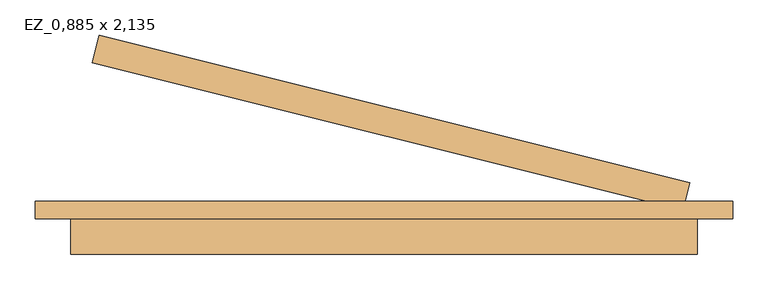
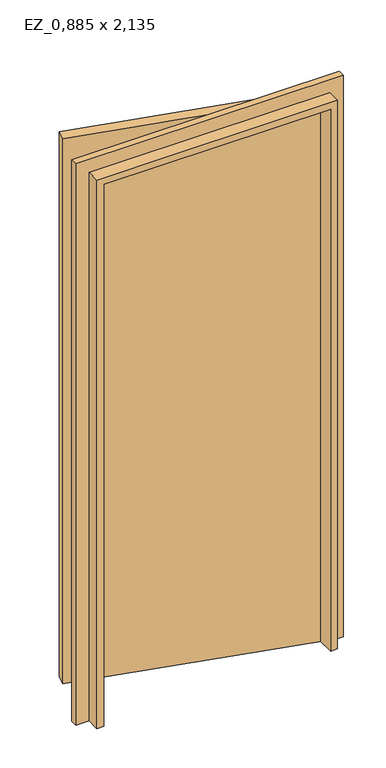
"""IFC4 building model written with IfcOpenShell, lengths in millimetres: door geometry, EZ_0,885 x 2,135."""

import ifcopenshell
import ifcopenshell.guid

model = None  # the IFC model being written
_history = None  # IfcOwnerHistory: only IFC2X3 demands one
_inside = {}  # id of a spatial element -> (the spatial element, [elements in it])
_under = {}  # id of a project, library or spatial element -> (it, [spatial elements below it])
_declared = {}  # id of a project -> (the project, [libraries it declares])
_typed = {}  # id of a type object -> (the type object, [elements of that type])
_made_of = {}  # id of a material, layer set ... -> (it, [elements and type objects made of it])


def new_model(schema):
    """Start an empty IFC model of exactly this schema.

    Asked for "IFC4X3", IfcOpenShell would pick the latest addendum, in which some entities
    have other attributes; the version numbers below select the first issue.
    IFC2X3 requires an IfcOwnerHistory on every rooted entity: one is made here for all.
    """
    global model, _history
    if schema == "IFC4X3":
        model = ifcopenshell.file(schema_version=(4, 3, 0, 0))
    else:
        model = ifcopenshell.file(schema=schema)
    _inside.clear()
    _under.clear()
    _declared.clear()
    _typed.clear()
    _made_of.clear()
    _history = None
    if model.schema == "IFC2X3":
        org = make("IfcOrganization", Name="unknown")
        user = make(
            "IfcPersonAndOrganization",
            ThePerson=make("IfcPerson", FamilyName="unknown"),
            TheOrganization=org,
        )
        app = make(
            "IfcApplication",
            ApplicationDeveloper=org,
            Version="unknown",
            ApplicationFullName="unknown",
            ApplicationIdentifier="unknown",
        )
        _history = make(
            "IfcOwnerHistory",
            OwningUser=user,
            OwningApplication=app,
            ChangeAction="ADDED",
            CreationDate=0,
        )
    return model


def make(cls, **values):
    """One entity of the class cls with the attributes given. An attribute that is None is left unset."""
    return model.create_entity(
        cls, **{name: value for name, value in values.items() if value is not None}
    )


def rooted(cls, **values):
    """An entity with a GlobalId (a new one), such as an element, a storey or a relation."""
    return make(cls, GlobalId=ifcopenshell.guid.new(), OwnerHistory=_history, **values)


def si_unit(unit_type, name, prefix=None):
    """IfcSIUnit, for example si_unit("LENGTHUNIT", "METRE", prefix="MILLI")."""
    return make("IfcSIUnit", UnitType=unit_type, Prefix=prefix, Name=name)


def assignment(units):
    """IfcUnitAssignment: the units of a project."""
    return None if units is None else make("IfcUnitAssignment", Units=units)


def point(xyz):
    """IfcCartesianPoint."""
    return None if xyz is None else make("IfcCartesianPoint", Coordinates=xyz)


def direction(xyz):
    """IfcDirection."""
    return None if xyz is None else make("IfcDirection", DirectionRatios=xyz)


def frame(location, z_axis=None, x_axis=None):
    """IfcAxis2Placement3D, a coordinate frame: its origin and axes. An axis left out is left unset."""
    return make(
        "IfcAxis2Placement3D",
        Location=point(location),
        Axis=direction(z_axis),
        RefDirection=direction(x_axis),
    )


def origin():
    """The frame at (0, 0, 0) with its axes left unset."""
    return frame((0.0, 0.0, 0.0))


def origin_with_axes():
    """The frame at (0, 0, 0) with the z axis (0, 0, 1) and the x axis (1, 0, 0) written out."""
    return frame((0.0, 0.0, 0.0), z_axis=(0.0, 0.0, 1.0), x_axis=(1.0, 0.0, 0.0))


def place(relative_to, where):
    """IfcLocalPlacement: puts the frame where relative to a parent placement (None: the world)."""
    return make(
        "IfcLocalPlacement", PlacementRelTo=relative_to, RelativePlacement=where
    )


def context(
    kind, dimensions, precision=None, world=None, true_north=None, identifier=None
):
    """IfcGeometricRepresentationContext, for example the 3D "Model" context."""
    return make(
        "IfcGeometricRepresentationContext",
        ContextIdentifier=identifier,
        ContextType=kind,
        CoordinateSpaceDimension=dimensions,
        Precision=precision,
        WorldCoordinateSystem=world,
        TrueNorth=true_north,
    )


def project(units=None, contexts=None):
    """IfcProject with its units and contexts."""
    return rooted(
        "IfcProject",
        Name="project",
        RepresentationContexts=contexts,
        UnitsInContext=assignment(units),
    )


def spatial(cls, under=None, at=None, **own):
    """A site, building, storey or space (cls), placed at a placement, below another one or the project."""
    s = rooted(cls, ObjectPlacement=at, **own)
    if under is not None:
        _under.setdefault(under.id(), (under, []))[1].append(s)
    return s


def polyline(points):
    """IfcPolyline through the points."""
    return make("IfcPolyline", Points=[point(p) for p in points])


def outline(outer, holes=None, kind="AREA"):
    """IfcArbitraryClosedProfileDef: a profile drawn as a closed curve; with holes, ...WithVoids."""
    if holes is None:
        return make("IfcArbitraryClosedProfileDef", ProfileType=kind, OuterCurve=outer)
    return make(
        "IfcArbitraryProfileDefWithVoids",
        ProfileType=kind,
        OuterCurve=outer,
        InnerCurves=holes,
    )


def extrude(swept, where, along, depth):
    """IfcExtrudedAreaSolid: the profile swept, set in the frame where, extruded along a direction by depth."""
    return make(
        "IfcExtrudedAreaSolid",
        SweptArea=swept,
        Position=where,
        ExtrudedDirection=direction(along),
        Depth=depth,
    )


def faces_of(points, faces, orient=None, outer=None):
    """IfcFace entities. A face is a list of loops; a loop is a list of indices into points, from 0.

    orient and outer hold one flag for each loop. By default every Orientation is true, the
    first loop of a face is its IfcFaceOuterBound and the others are IfcFaceBound.
    """
    made = []
    for i, loops in enumerate(faces):
        bounds = []
        for j, loop in enumerate(loops):
            is_outer = j == 0 if outer is None else outer[i][j]
            bounds.append(
                make(
                    "IfcFaceOuterBound" if is_outer else "IfcFaceBound",
                    Bound=make("IfcPolyLoop", Polygon=[points[k] for k in loop]),
                    Orientation=True if orient is None else orient[i][j],
                )
            )
        made.append(make("IfcFace", Bounds=bounds))
    return made


def faceted_brep(points, faces, orient=None, outer=None, voids=None):
    """IfcFacetedBrep: a solid bounded by flat faces; with voids (closed shells), ...WithVoids."""
    shared = [point(p) for p in points]
    hull = make("IfcClosedShell", CfsFaces=faces_of(shared, faces, orient, outer))
    if voids is None:
        return make("IfcFacetedBrep", Outer=hull)
    return make(
        "IfcFacetedBrepWithVoids",
        Outer=hull,
        Voids=[
            make(cls, CfsFaces=faces_of(shared, fs, o, b)) for cls, fs, o, b in voids
        ],
    )


def shape(context_of_items, identifier, shape_type, items):
    """IfcShapeRepresentation: the items that make up one representation, for example the "Body"."""
    return make(
        "IfcShapeRepresentation",
        ContextOfItems=context_of_items,
        RepresentationIdentifier=identifier,
        RepresentationType=shape_type,
        Items=items,
    )


def source(mapping_origin, context_of_items, identifier, shape_type, items):
    """IfcRepresentationMap: a shape defined once, which mapped items show again and again."""
    return make(
        "IfcRepresentationMap",
        MappingOrigin=mapping_origin,
        MappedRepresentation=shape(context_of_items, identifier, shape_type, items),
    )


def transform(
    local_origin,
    x_axis=None,
    y_axis=None,
    z_axis=None,
    scale=None,
    scale2=None,
    scale3=None,
    uniform=True,
):
    """IfcCartesianTransformationOperator3D, or its non-uniform kind. x_axis, y_axis, z_axis: its Axis1, 2, 3."""
    if uniform:
        return make(
            "IfcCartesianTransformationOperator3D",
            Axis1=direction(x_axis),
            Axis2=direction(y_axis),
            LocalOrigin=point(local_origin),
            Scale=scale,
            Axis3=direction(z_axis),
        )
    return make(
        "IfcCartesianTransformationOperator3DnonUniform",
        Axis1=direction(x_axis),
        Axis2=direction(y_axis),
        LocalOrigin=point(local_origin),
        Scale=scale,
        Axis3=direction(z_axis),
        Scale2=scale2,
        Scale3=scale3,
    )


def mapped(mapping_source, mapping_target):
    """IfcMappedItem: shows the shape of a source again, moved by a transform."""
    return make(
        "IfcMappedItem", MappingSource=mapping_source, MappingTarget=mapping_target
    )


def made_of(thing, what):
    """Note that an element or type object is made of a material, layer set ...; save() writes the relation."""
    if what is not None:
        _made_of.setdefault(what.id(), (what, []))[1].append(thing)
    return thing


def element(
    cls,
    number,
    at=None,
    inside=None,
    cuts=None,
    type_object=None,
    material=None,
    context=None,
    identifier="Body",
    shape_type=None,
    held_by="IfcProductDefinitionShape",
    body=None,
    shapes=None,
    **own,
):
    """One element of the class cls, such as IfcWall. Its Tag is "e" and its number.

    at: its placement. inside: the storey or other place that contains it. cuts: it is an
    opening in that element (IfcRelVoidsElement). A single representation is given by context,
    identifier, shape_type and body (its items); several are given by shapes. held_by: the class
    of the entity that holds the representations. save() writes the other relations.
    """
    e = rooted(cls, Tag="e%d" % number, ObjectPlacement=at, **own)
    if body is not None:
        shapes = [shape(context, identifier, shape_type, body)]
    if shapes is not None:
        e.Representation = make(held_by, Representations=shapes)
    if inside is not None:
        _inside.setdefault(inside.id(), (inside, []))[1].append(e)
    if cuts is not None:
        rooted(
            "IfcRelVoidsElement", RelatingBuildingElement=cuts, RelatedOpeningElement=e
        )
    if type_object is not None:
        _typed.setdefault(type_object.id(), (type_object, []))[1].append(e)
    return made_of(e, material)


def aggregate(whole, parts):
    """IfcRelAggregates: a whole, such as a stair, and the parts it consists of."""
    return rooted("IfcRelAggregates", RelatingObject=whole, RelatedObjects=parts)


def save(model, path):
    """Write the relations noted so far, then the file.

    IfcRelAggregates (storeys below a building ...), IfcRelContainedInSpatialStructure (elements
    in a storey), IfcRelDefinesByType, IfcRelAssociatesMaterial and IfcRelDeclares: one each for
    every whole, place, type object, material and project.
    """
    for whole, parts in _under.values():
        aggregate(whole, parts)
    for where, things in _inside.values():
        rooted(
            "IfcRelContainedInSpatialStructure",
            RelatedElements=things,
            RelatingStructure=where,
        )
    for kind, things in _typed.values():
        rooted("IfcRelDefinesByType", RelatedObjects=things, RelatingType=kind)
    for what, things in _made_of.values():
        rooted("IfcRelAssociatesMaterial", RelatedObjects=things, RelatingMaterial=what)
    for by, libraries in _declared.values():
        rooted("IfcRelDeclares", RelatingContext=by, RelatedDefinitions=libraries)
    model.write(path)


def ez_0_885_x_2_135_c3bccecb(model_context):
    return source(origin(), model_context, "Body", "SolidModel", [
        extrude(outline(polyline([(431.9693295, 138.5256744), (422.2924536, 99.7138453), (-412.161871, 307.7666755), (-402.4849951, 346.5785046), (431.9693295, 138.5256744)])), origin_with_axes(), (0.0, 0.0, 1.0), 2122.0),
        faceted_brep([(-492.5, 112.5, 0.0), (-417.5, 112.5, 0.0), (-417.5, 37.5, 0.0), (-442.5, 37.5, 0.0), (-442.5, 87.5, 0.0), (-492.5, 87.5, 0.0), (-492.5, 112.5, 2185.0), (492.5, 112.5, 2185.0), (492.5, 112.5, 0.0), (417.5, 112.5, 0.0), (417.5, 112.5, 2110.0), (-417.5, 112.5, 2110.0), (-417.5, 37.5, 2110.0), (417.5, 37.5, 2110.0), (417.5, 37.5, 0.0), (442.5, 37.5, 0.0), (442.5, 37.5, 2135.0), (-442.5, 37.5, 2135.0), (-442.5, 87.5, 2135.0), (442.5, 87.5, 2135.0), (442.5, 87.5, 0.0), (492.5, 87.5, 0.0), (492.5, 87.5, 2185.0), (-492.5, 87.5, 2185.0)], [[[0, 1, 2, 3, 4, 5]], [[1, 0, 6, 7, 8, 9, 10, 11]], [[2, 1, 11, 12]], [[3, 2, 12, 13, 14, 15, 16, 17]], [[4, 3, 17, 18]], [[5, 4, 18, 19, 20, 21, 22, 23]], [[0, 5, 23, 6]], [[8, 21, 20, 15, 14, 9]], [[7, 22, 21, 8]], [[19, 16, 15, 20]], [[13, 10, 9, 14]], [[12, 11, 10, 13]], [[18, 17, 16, 19]], [[6, 23, 22, 7]]]),
    ])


if __name__ == "__main__":
    model = new_model("IFC4")
    model_context = context("Model", 3, world=origin())
    ifc_project = project(units=[si_unit("LENGTHUNIT", "METRE", prefix="MILLI")], contexts=[model_context])
    site = spatial("IfcSite", under=ifc_project)
    building = spatial("IfcBuilding", under=site)
    placement = place(None, origin())
    ez_0_885_x_2_135_shape = ez_0_885_x_2_135_c3bccecb(model_context)
    element("IfcDoor", 1, ObjectType="EZ_0,885 x 2,135", at=placement, inside=building, context=model_context, shape_type="MappedRepresentation", body=[
        mapped(ez_0_885_x_2_135_shape, transform((0.0, 0.0, 0.0), x_axis=(1.0, 0.0, 0.0), y_axis=(0.0, 1.0, 0.0), z_axis=(0.0, 0.0, 1.0))),
    ])
    save(model, "model.ifc")
